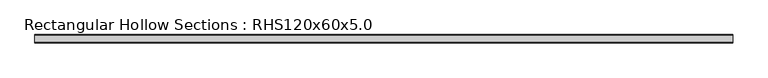
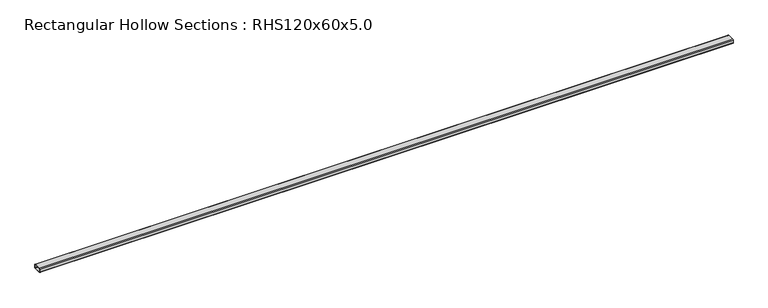
"""IFC4 building model written with IfcOpenShell, lengths in millimetres: beam geometry, Rectangular Hollow Sections : RHS120x60x5.0."""

import ifcopenshell
import ifcopenshell.guid

model = None  # the IFC model being written
_history = None  # IfcOwnerHistory: only IFC2X3 demands one
_inside = {}  # id of a spatial element -> (the spatial element, [elements in it])
_under = {}  # id of a project, library or spatial element -> (it, [spatial elements below it])
_declared = {}  # id of a project -> (the project, [libraries it declares])
_typed = {}  # id of a type object -> (the type object, [elements of that type])
_made_of = {}  # id of a material, layer set ... -> (it, [elements and type objects made of it])


def new_model(schema):
    """Start an empty IFC model of exactly this schema.

    Asked for "IFC4X3", IfcOpenShell would pick the latest addendum, in which some entities
    have other attributes; the version numbers below select the first issue.
    IFC2X3 requires an IfcOwnerHistory on every rooted entity: one is made here for all.
    """
    global model, _history
    if schema == "IFC4X3":
        model = ifcopenshell.file(schema_version=(4, 3, 0, 0))
    else:
        model = ifcopenshell.file(schema=schema)
    _inside.clear()
    _under.clear()
    _declared.clear()
    _typed.clear()
    _made_of.clear()
    _history = None
    if model.schema == "IFC2X3":
        org = make("IfcOrganization", Name="unknown")
        user = make(
            "IfcPersonAndOrganization",
            ThePerson=make("IfcPerson", FamilyName="unknown"),
            TheOrganization=org,
        )
        app = make(
            "IfcApplication",
            ApplicationDeveloper=org,
            Version="unknown",
            ApplicationFullName="unknown",
            ApplicationIdentifier="unknown",
        )
        _history = make(
            "IfcOwnerHistory",
            OwningUser=user,
            OwningApplication=app,
            ChangeAction="ADDED",
            CreationDate=0,
        )
    return model


def make(cls, **values):
    """One entity of the class cls with the attributes given. An attribute that is None is left unset."""
    return model.create_entity(
        cls, **{name: value for name, value in values.items() if value is not None}
    )


def rooted(cls, **values):
    """An entity with a GlobalId (a new one), such as an element, a storey or a relation."""
    return make(cls, GlobalId=ifcopenshell.guid.new(), OwnerHistory=_history, **values)


def si_unit(unit_type, name, prefix=None):
    """IfcSIUnit, for example si_unit("LENGTHUNIT", "METRE", prefix="MILLI")."""
    return make("IfcSIUnit", UnitType=unit_type, Prefix=prefix, Name=name)


def assignment(units):
    """IfcUnitAssignment: the units of a project."""
    return None if units is None else make("IfcUnitAssignment", Units=units)


def point(xyz):
    """IfcCartesianPoint."""
    return None if xyz is None else make("IfcCartesianPoint", Coordinates=xyz)


def direction(xyz):
    """IfcDirection."""
    return None if xyz is None else make("IfcDirection", DirectionRatios=xyz)


def frame(location, z_axis=None, x_axis=None):
    """IfcAxis2Placement3D, a coordinate frame: its origin and axes. An axis left out is left unset."""
    return make(
        "IfcAxis2Placement3D",
        Location=point(location),
        Axis=direction(z_axis),
        RefDirection=direction(x_axis),
    )


def frame_2d(location, x_axis=None):
    """IfcAxis2Placement2D, a coordinate frame in the plane: its origin and x axis."""
    return make(
        "IfcAxis2Placement2D", Location=point(location), RefDirection=direction(x_axis)
    )


def origin():
    """The frame at (0, 0, 0) with its axes left unset."""
    return frame((0.0, 0.0, 0.0))


def place(relative_to, where):
    """IfcLocalPlacement: puts the frame where relative to a parent placement (None: the world)."""
    return make(
        "IfcLocalPlacement", PlacementRelTo=relative_to, RelativePlacement=where
    )


def context(
    kind, dimensions, precision=None, world=None, true_north=None, identifier=None
):
    """IfcGeometricRepresentationContext, for example the 3D "Model" context."""
    return make(
        "IfcGeometricRepresentationContext",
        ContextIdentifier=identifier,
        ContextType=kind,
        CoordinateSpaceDimension=dimensions,
        Precision=precision,
        WorldCoordinateSystem=world,
        TrueNorth=true_north,
    )


def project(units=None, contexts=None):
    """IfcProject with its units and contexts."""
    return rooted(
        "IfcProject",
        Name="project",
        RepresentationContexts=contexts,
        UnitsInContext=assignment(units),
    )


def spatial(cls, under=None, at=None, **own):
    """A site, building, storey or space (cls), placed at a placement, below another one or the project."""
    s = rooted(cls, ObjectPlacement=at, **own)
    if under is not None:
        _under.setdefault(under.id(), (under, []))[1].append(s)
    return s


def polyline(points):
    """IfcPolyline through the points."""
    return make("IfcPolyline", Points=[point(p) for p in points])


def circle_curve(where, radius):
    """IfcCircle in the frame where."""
    return make("IfcCircle", Position=where, Radius=radius)


def trimmed(basis, trim1, trim2, sense, master):
    """IfcTrimmedCurve: the piece of a basis curve between two trims."""
    return make(
        "IfcTrimmedCurve",
        BasisCurve=basis,
        Trim1=trim1,
        Trim2=trim2,
        SenseAgreement=sense,
        MasterRepresentation=master,
    )


def segment(curve, same_sense, transition):
    """IfcCompositeCurveSegment."""
    return make(
        "IfcCompositeCurveSegment",
        Transition=transition,
        SameSense=same_sense,
        ParentCurve=curve,
    )


def composite_curve(segments, self_intersect=None):
    """IfcCompositeCurve: segments joined end to end."""
    return make("IfcCompositeCurve", Segments=segments, SelfIntersect=self_intersect)


def outline(outer, holes=None, kind="AREA"):
    """IfcArbitraryClosedProfileDef: a profile drawn as a closed curve; with holes, ...WithVoids."""
    if holes is None:
        return make("IfcArbitraryClosedProfileDef", ProfileType=kind, OuterCurve=outer)
    return make(
        "IfcArbitraryProfileDefWithVoids",
        ProfileType=kind,
        OuterCurve=outer,
        InnerCurves=holes,
    )


def extrude(swept, where, along, depth):
    """IfcExtrudedAreaSolid: the profile swept, set in the frame where, extruded along a direction by depth."""
    return make(
        "IfcExtrudedAreaSolid",
        SweptArea=swept,
        Position=where,
        ExtrudedDirection=direction(along),
        Depth=depth,
    )


def shape(context_of_items, identifier, shape_type, items):
    """IfcShapeRepresentation: the items that make up one representation, for example the "Body"."""
    return make(
        "IfcShapeRepresentation",
        ContextOfItems=context_of_items,
        RepresentationIdentifier=identifier,
        RepresentationType=shape_type,
        Items=items,
    )


def source(mapping_origin, context_of_items, identifier, shape_type, items):
    """IfcRepresentationMap: a shape defined once, which mapped items show again and again."""
    return make(
        "IfcRepresentationMap",
        MappingOrigin=mapping_origin,
        MappedRepresentation=shape(context_of_items, identifier, shape_type, items),
    )


def transform(
    local_origin,
    x_axis=None,
    y_axis=None,
    z_axis=None,
    scale=None,
    scale2=None,
    scale3=None,
    uniform=True,
):
    """IfcCartesianTransformationOperator3D, or its non-uniform kind. x_axis, y_axis, z_axis: its Axis1, 2, 3."""
    if uniform:
        return make(
            "IfcCartesianTransformationOperator3D",
            Axis1=direction(x_axis),
            Axis2=direction(y_axis),
            LocalOrigin=point(local_origin),
            Scale=scale,
            Axis3=direction(z_axis),
        )
    return make(
        "IfcCartesianTransformationOperator3DnonUniform",
        Axis1=direction(x_axis),
        Axis2=direction(y_axis),
        LocalOrigin=point(local_origin),
        Scale=scale,
        Axis3=direction(z_axis),
        Scale2=scale2,
        Scale3=scale3,
    )


def mapped(mapping_source, mapping_target):
    """IfcMappedItem: shows the shape of a source again, moved by a transform."""
    return make(
        "IfcMappedItem", MappingSource=mapping_source, MappingTarget=mapping_target
    )


def made_of(thing, what):
    """Note that an element or type object is made of a material, layer set ...; save() writes the relation."""
    if what is not None:
        _made_of.setdefault(what.id(), (what, []))[1].append(thing)
    return thing


def element(
    cls,
    number,
    at=None,
    inside=None,
    cuts=None,
    type_object=None,
    material=None,
    context=None,
    identifier="Body",
    shape_type=None,
    held_by="IfcProductDefinitionShape",
    body=None,
    shapes=None,
    **own,
):
    """One element of the class cls, such as IfcWall. Its Tag is "e" and its number.

    at: its placement. inside: the storey or other place that contains it. cuts: it is an
    opening in that element (IfcRelVoidsElement). A single representation is given by context,
    identifier, shape_type and body (its items); several are given by shapes. held_by: the class
    of the entity that holds the representations. save() writes the other relations.
    """
    e = rooted(cls, Tag="e%d" % number, ObjectPlacement=at, **own)
    if body is not None:
        shapes = [shape(context, identifier, shape_type, body)]
    if shapes is not None:
        e.Representation = make(held_by, Representations=shapes)
    if inside is not None:
        _inside.setdefault(inside.id(), (inside, []))[1].append(e)
    if cuts is not None:
        rooted(
            "IfcRelVoidsElement", RelatingBuildingElement=cuts, RelatedOpeningElement=e
        )
    if type_object is not None:
        _typed.setdefault(type_object.id(), (type_object, []))[1].append(e)
    return made_of(e, material)


def aggregate(whole, parts):
    """IfcRelAggregates: a whole, such as a stair, and the parts it consists of."""
    return rooted("IfcRelAggregates", RelatingObject=whole, RelatedObjects=parts)


def save(model, path):
    """Write the relations noted so far, then the file.

    IfcRelAggregates (storeys below a building ...), IfcRelContainedInSpatialStructure (elements
    in a storey), IfcRelDefinesByType, IfcRelAssociatesMaterial and IfcRelDeclares: one each for
    every whole, place, type object, material and project.
    """
    for whole, parts in _under.values():
        aggregate(whole, parts)
    for where, things in _inside.values():
        rooted(
            "IfcRelContainedInSpatialStructure",
            RelatedElements=things,
            RelatingStructure=where,
        )
    for kind, things in _typed.values():
        rooted("IfcRelDefinesByType", RelatedObjects=things, RelatingType=kind)
    for what, things in _made_of.values():
        rooted("IfcRelAssociatesMaterial", RelatedObjects=things, RelatingMaterial=what)
    for by, libraries in _declared.values():
        rooted("IfcRelDeclares", RelatingContext=by, RelatedDefinitions=libraries)
    model.write(path)


def rectangular_hollow_sections_rhs120x60x5_0_51abb73e(model_context):
    return source(origin(), model_context, "Body", "SweptSolid", [
        extrude(outline(composite_curve([segment(trimmed(circle_curve(frame_2d((-50.0, 20.0)), 10.0), [point((-60.0, 20.0))], [point((-50.0, 30.0))], False, "CARTESIAN"), True, "CONTINUOUS"), segment(polyline([(-50.0, 30.0), (50.0, 30.0)]), True, "CONTINUOUS"), segment(trimmed(circle_curve(frame_2d((50.0, 20.0)), 10.0), [point((50.0, 30.0))], [point((60.0, 20.0))], False, "CARTESIAN"), True, "CONTINUOUS"), segment(polyline([(60.0, 20.0), (60.0, -20.0)]), True, "CONTINUOUS"), segment(trimmed(circle_curve(frame_2d((50.0, -20.0)), 10.0), [point((60.0, -20.0))], [point((50.0, -30.0))], False, "CARTESIAN"), True, "CONTINUOUS"), segment(polyline([(50.0, -30.0), (-50.0, -30.0)]), True, "CONTINUOUS"), segment(trimmed(circle_curve(frame_2d((-50.0, -20.0)), 10.0), [point((-50.0, -30.0))], [point((-60.0, -20.0))], False, "CARTESIAN"), True, "CONTINUOUS"), segment(polyline([(-60.0, -20.0), (-60.0, 20.0)]), True, "CONTINUOUS")], self_intersect=False), holes=[composite_curve([segment(polyline([(50.0, 25.0), (-50.0, 25.0)]), True, "CONTINUOUS"), segment(trimmed(circle_curve(frame_2d((-50.0, 20.0)), 5.0), [point((-50.0, 25.0))], [point((-55.0, 20.0))], True, "CARTESIAN"), True, "CONTINUOUS"), segment(polyline([(-55.0, 20.0), (-55.0, -20.0)]), True, "CONTINUOUS"), segment(trimmed(circle_curve(frame_2d((-50.0, -20.0)), 5.0), [point((-55.0, -20.0))], [point((-50.0, -25.0))], True, "CARTESIAN"), True, "CONTINUOUS"), segment(polyline([(-50.0, -25.0), (50.0, -25.0)]), True, "CONTINUOUS"), segment(trimmed(circle_curve(frame_2d((50.0, -20.0)), 5.0), [point((50.0, -25.0))], [point((55.0, -20.0))], True, "CARTESIAN"), True, "CONTINUOUS"), segment(polyline([(55.0, -20.0), (55.0, 20.0)]), True, "CONTINUOUS"), segment(trimmed(circle_curve(frame_2d((50.0, 20.0)), 5.0), [point((55.0, 20.0))], [point((50.0, 25.0))], True, "CARTESIAN"), True, "CONTINUOUS")], self_intersect=False)]), frame((-5025.0, 0.0, 0.0), z_axis=(1.0, 0.0, 0.0), x_axis=(0.0, 1.0, 0.0)), (0.0, 0.0, 1.0), 10050.0),
    ])


if __name__ == "__main__":
    model = new_model("IFC4")
    model_context = context("Model", 3, world=origin())
    ifc_project = project(units=[si_unit("LENGTHUNIT", "METRE", prefix="MILLI")], contexts=[model_context])
    site = spatial("IfcSite", under=ifc_project)
    building = spatial("IfcBuilding", under=site)
    placement = place(None, origin())
    rectangular_hollow_sections_rhs120x60x5_0_shape = rectangular_hollow_sections_rhs120x60x5_0_51abb73e(model_context)
    element("IfcBeam", 1, ObjectType="Rectangular Hollow Sections : RHS120x60x5.0", at=placement, inside=building, context=model_context, shape_type="MappedRepresentation", body=[
        mapped(rectangular_hollow_sections_rhs120x60x5_0_shape, transform((0.0, 0.0, 0.0), x_axis=(1.0, 0.0, 0.0), y_axis=(0.0, 1.0, 0.0), z_axis=(0.0, 0.0, 1.0))),
    ])
    save(model, "model.ifc")
